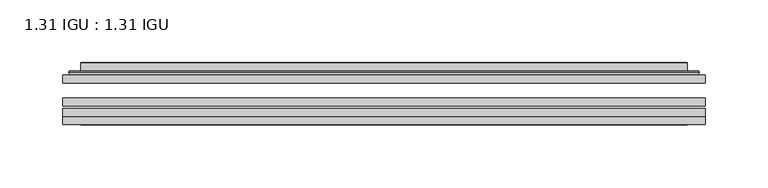
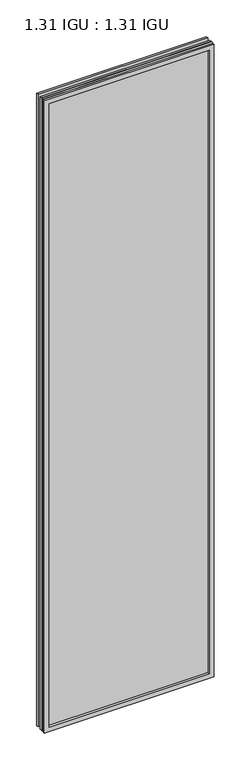
"""IFC4 building model written with IfcOpenShell, lengths in millimetres: plate geometry, 1.31 IGU : 1.31 IGU."""

from ifc_helpers import new_model, si_unit, frame, origin, place, context, project, spatial, polyline, ellipse_curve, outline, extrude, faceted_brep, source, transform, mapped, element, save
from ifc_brep_helpers import plane_surface, cylinder_surface, advanced_brep


def plate_1_31_igu_1_31_igu_b17b55d6(model_context):
    return source(origin(), model_context, "Body", "SolidModel", [
        extrude(outline(polyline([(255.601675, -63.59525), (255.601675, -69.94525), (-255.5875, -69.94525), (-255.5875, -63.59525), (255.601675, -63.59525)])), frame((0.0, 0.0, -14.2875), z_axis=(0.0, 0.0, 1.0), x_axis=(1.0, 0.0, 0.0)), (0.0, 0.0, 1.0), 2009.8015278),
        extrude(outline(polyline([(-255.5875, -78.58125), (-255.5875, -72.230745), (255.601675, -72.230745), (255.601675, -78.58125), (-255.5875, -78.58125)])), frame((0.0, 0.0, -14.2875), z_axis=(0.0, 0.0, 1.0), x_axis=(1.0, 0.0, 0.0)), (0.0, 0.0, 1.0), 2009.8015278),
        extrude(outline(polyline([(255.601675, -45.25645), (255.601675, -51.60645), (-255.5875, -51.60645), (-255.5875, -45.25645), (255.601675, -45.25645)])), frame((0.0, 0.0, -14.2875), z_axis=(0.0, 0.0, 1.0), x_axis=(1.0, 0.0, 0.0)), (0.0, 0.0, 1.0), 2009.8015278),
        faceted_brep([(-255.6002, -84.93125, 1995.5229299), (-255.6002, -78.58125, 1995.5229299), (-255.6002, -78.58125, -14.3002), (-255.6002, -84.93125, -14.3002), (255.6002, -78.58125, -14.3002), (255.6002, -84.93125, -14.3002), (255.6002, -78.58125, 1995.5229299), (255.6002, -84.93125, 1995.5229299), (-240.4022559, -78.58125, 0.8977441), (240.4022559, -78.58125, 0.8977441), (240.4022559, -78.58125, 1980.3249858), (-240.4022559, -78.58125, 1980.3249858), (-241.2946902, -84.93125, 1981.2174201), (241.2946902, -84.93125, 1981.2174201), (241.2946902, -84.93125, 0.0053098), (-241.2946902, -84.93125, 0.0053098)], [[[0, 1, 2, 3]], [[3, 2, 4, 5]], [[5, 4, 6, 7]], [[1, 6, 4, 2], [8, 9, 10, 11]], [[7, 6, 1, 0]], [[3, 5, 7, 0], [12, 13, 14, 15]], [[11, 12, 15, 8]], [[8, 15, 14, 9]], [[9, 14, 13, 10]], [[10, 13, 12, 11]]]),
        advanced_brep(
        [(-248.346219, -45.25645, 1988.2689489), (-250.7004244, -43.2667833, 1990.6231543), (-250.7004244, -43.2667833, -9.4004244), (-248.346219, -45.25645, -7.046219), (-239.2718939, -41.416413, 1979.1946238), (-234.3370621, -45.25645, 1974.2597919), (-234.3370621, -45.25645, 6.9629379), (-239.2718939, -41.416413, 2.0281061), (-240.3039217, -36.0191819, 1980.2266515), (-240.3039217, -36.0191819, 0.9960783), (-241.2945784, -35.6202069, 1981.2173083), (-241.2945784, -35.6202069, 0.0054216), (-241.2945784, -42.08145, 1981.2173083), (-241.2945784, -42.08145, 0.0054216), (-249.6986349, -42.08145, 1989.6213648), (-249.6986349, -42.08145, -8.3986349), (250.7004244, -43.2667833, -9.4004244), (248.346219, -45.25645, -7.046219), (234.3370621, -45.25645, 6.9629379), (239.2718939, -41.416413, 2.0281061), (240.3039217, -36.0191819, 0.9960783), (241.2945784, -35.6202069, 0.0054216), (241.2945784, -42.08145, 0.0054216), (249.6986349, -42.08145, -8.3986349), (250.7004244, -43.2667833, 1990.6231543), (248.346219, -45.25645, 1988.2689489), (234.3370621, -45.25645, 1974.2597919), (239.2718939, -41.416413, 1979.1946238), (240.3039217, -36.0191819, 1980.2266515), (241.2945784, -35.6202069, 1981.2173083), (241.2945784, -42.08145, 1981.2173083), (249.6986349, -42.08145, 1989.6213648)],
        [
            (0, 1, ellipse_curve(frame((-248.346219, -42.86885, 1988.2689489), z_axis=(-0.7071067811865475, 0.0, -0.7071067811865475), x_axis=(-0.7071067811865474, 0.0, 0.7071067811865476)), 3.3765763, 2.3876)),
            (1, 2),
            (2, 3, ellipse_curve(frame((-248.346219, -42.86885, -7.046219), z_axis=(-0.7071067811865475, 0.0, 0.7071067811865475), x_axis=(0.7071067811865474, 0.0, 0.7071067811865476)), 3.3765763, 2.3876)),
            (3, 0),
            (4, 5),
            (5, 6),
            (6, 7),
            (7, 4),
            (8, 4),
            (7, 9),
            (9, 8),
            (10, 8, ellipse_curve(frame((-240.9276219, -36.1384423, 1980.8503517), z_axis=(-0.7071067811865475, 0.0, -0.7071067811865475), x_axis=(-0.7071067811865474, 0.0, 0.7071067811865476)), 0.8980256, 0.635)),
            (9, 11, ellipse_curve(frame((-240.9276219, -36.1384423, 0.3723781), z_axis=(-0.7071067811865475, 0.0, 0.7071067811865475), x_axis=(0.7071067811865474, 0.0, 0.7071067811865476)), 0.8980256, 0.635)),
            (11, 10),
            (12, 10),
            (11, 13),
            (13, 12),
            (1, 14, ellipse_curve(frame((-249.6986349, -43.09745, 1989.6213648), z_axis=(-0.7071067811865475, 0.0, -0.7071067811865475), x_axis=(-0.7071067811865474, 0.0, 0.7071067811865476)), 1.436841, 1.016)),
            (14, 15),
            (15, 2, ellipse_curve(frame((-249.6986349, -43.09745, -8.3986349), z_axis=(-0.7071067811865475, 0.0, 0.7071067811865475), x_axis=(0.7071067811865474, 0.0, 0.7071067811865476)), 1.436841, 1.016)),
            (2, 16),
            (16, 17, ellipse_curve(frame((248.346219, -42.86885, -7.046219), z_axis=(-0.7071067811865475, 0.0, -0.7071067811865475), x_axis=(-0.7071067811865476, 0.0, 0.7071067811865474)), 3.3765763, 2.3876)),
            (17, 3),
            (6, 18),
            (18, 19),
            (19, 7),
            (19, 20),
            (20, 9),
            (20, 21, ellipse_curve(frame((240.9276219, -36.1384423, 0.3723781), z_axis=(-0.7071067811865475, 0.0, -0.7071067811865475), x_axis=(-0.7071067811865476, 0.0, 0.7071067811865474)), 0.8980256, 0.635)),
            (21, 11),
            (21, 22),
            (22, 13),
            (15, 23),
            (23, 16, ellipse_curve(frame((249.6986349, -43.09745, -8.3986349), z_axis=(-0.7071067811865475, 0.0, -0.7071067811865475), x_axis=(-0.7071067811865476, 0.0, 0.7071067811865474)), 1.436841, 1.016)),
            (16, 24),
            (24, 25, ellipse_curve(frame((248.346219, -42.86885, 1988.2689489), z_axis=(0.7071067811865475, 0.0, -0.7071067811865475), x_axis=(-0.7071067811865474, 0.0, -0.7071067811865476)), 3.3765763, 2.3876)),
            (25, 17),
            (18, 26),
            (26, 27),
            (27, 19),
            (27, 28),
            (28, 20),
            (28, 29, ellipse_curve(frame((240.9276219, -36.1384423, 1980.8503517), z_axis=(0.7071067811865475, 0.0, -0.7071067811865475), x_axis=(-0.7071067811865474, 0.0, -0.7071067811865476)), 0.8980256, 0.635)),
            (29, 21),
            (29, 30),
            (30, 22),
            (23, 31),
            (31, 24, ellipse_curve(frame((249.6986349, -43.09745, 1989.6213648), z_axis=(0.7071067811865475, 0.0, -0.7071067811865475), x_axis=(-0.7071067811865474, 0.0, -0.7071067811865476)), 1.436841, 1.016)),
            (24, 1),
            (0, 25),
            (5, 26),
            (4, 27),
            (8, 28),
            (10, 29),
            (12, 30),
            (14, 31),
        ],
        [
            cylinder_surface(frame((-248.346219, -42.86885, 2012.9727299), z_axis=(0.0, 0.0, 1.0), x_axis=(-1.0, 0.0, 0.0)), 2.3876),
            plane_surface(frame((-234.3370621, -45.25645, 1974.2597919), z_axis=(0.6141233906514794, 0.7892100234124821, 0.0), x_axis=(0.0, 0.0, -1.0))),
            plane_surface(frame((-239.2718939, -41.416413, 1979.1946238), z_axis=(0.9822050625507729, 0.18781164793386076, 0.0), x_axis=(0.0, 0.0, -1.0))),
            cylinder_surface(frame((-240.9276219, -36.1384423, 2012.9727299), z_axis=(0.0, 0.0, 1.0), x_axis=(-1.0, 0.0, 0.0)), 0.635),
            plane_surface(frame((-241.2945784, -35.6202069, 1981.2173083), z_axis=(-1.0, 0.0, 0.0), x_axis=(0.0, 0.0, -1.0))),
            cylinder_surface(frame((-249.6986349, -43.09745, 2012.9727299), z_axis=(0.0, 0.0, 1.0), x_axis=(-1.0, 0.0, 0.0)), 1.016),
            cylinder_surface(frame((-273.05, -42.86885, -7.046219), z_axis=(-1.0, 0.0, 0.0), x_axis=(0.0, 0.0, -1.0)), 2.3876),
            plane_surface(frame((-234.3370621, -45.25645, 6.9629379), z_axis=(0.0, 0.7892100234124841, 0.6141233906514768), x_axis=(1.0, 0.0, 0.0))),
            plane_surface(frame((-239.2718939, -41.416413, 2.0281061), z_axis=(0.0, 0.18781164793386393, 0.9822050625507723), x_axis=(1.0, 0.0, 0.0))),
            cylinder_surface(frame((-273.05, -36.1384423, 0.3723781), z_axis=(-1.0, 0.0, 0.0), x_axis=(0.0, 0.0, -1.0)), 0.635),
            plane_surface(frame((-241.2945784, -35.6202069, 0.0054216), z_axis=(0.0, 0.0, -1.0), x_axis=(1.0, 0.0, 0.0))),
            cylinder_surface(frame((-273.05, -43.09745, -8.3986349), z_axis=(-1.0, 0.0, 0.0), x_axis=(0.0, 0.0, -1.0)), 1.016),
            cylinder_surface(frame((248.346219, -42.86885, -31.75), z_axis=(0.0, 0.0, -1.0), x_axis=(1.0, 0.0, 0.0)), 2.3876),
            plane_surface(frame((234.3370621, -45.25645, 6.9629379), z_axis=(-0.6141233906514743, 0.7892100234124861, 0.0), x_axis=(0.0, 0.0, 1.0))),
            plane_surface(frame((239.2718939, -41.416413, 2.0281061), z_axis=(-0.9822050625507718, 0.1878116479338671, 0.0), x_axis=(0.0, 0.0, 1.0))),
            cylinder_surface(frame((240.9276219, -36.1384423, -31.75), z_axis=(0.0, 0.0, -1.0), x_axis=(1.0, 0.0, 0.0)), 0.635),
            plane_surface(frame((241.2945784, -35.6202069, 0.0054216), z_axis=(1.0, 0.0, 0.0), x_axis=(0.0, 0.0, 1.0))),
            cylinder_surface(frame((249.6986349, -43.09745, -31.75), z_axis=(0.0, 0.0, -1.0), x_axis=(1.0, 0.0, 0.0)), 1.016),
            cylinder_surface(frame((273.05, -42.86885, 1988.2689489), z_axis=(1.0, 0.0, 0.0), x_axis=(0.0, 0.0, 1.0)), 2.3876),
            plane_surface(frame((248.346219, -45.25645, 1988.2689489), z_axis=(0.0, -1.0, 0.0), x_axis=(-1.0, 0.0, 0.0))),
            plane_surface(frame((234.3370621, -45.25645, 1974.2597919), z_axis=(0.0, 0.7892100234124841, -0.6141233906514768), x_axis=(-1.0, 0.0, 0.0))),
            plane_surface(frame((239.2718939, -41.416413, 1979.1946238), z_axis=(0.0, 0.18781164793386393, -0.9822050625507723), x_axis=(-1.0, 0.0, 0.0))),
            cylinder_surface(frame((273.05, -36.1384423, 1980.8503517), z_axis=(1.0, 0.0, 0.0), x_axis=(0.0, 0.0, 1.0)), 0.635),
            plane_surface(frame((241.2945784, -35.6202069, 1981.2173083), z_axis=(0.0, 0.0, 1.0), x_axis=(-1.0, 0.0, 0.0))),
            plane_surface(frame((241.2945784, -42.08145, 1981.2173083), z_axis=(0.0, 1.0, 0.0), x_axis=(-1.0, 0.0, 0.0))),
            cylinder_surface(frame((273.05, -43.09745, 1989.6213648), z_axis=(1.0, 0.0, 0.0), x_axis=(0.0, 0.0, 1.0)), 1.016),
        ],
        [
            (0, [[1, 2, 3, 4]]),
            (1, [[5, 6, 7, 8]]),
            (2, [[9, -8, 10, 11]]),
            (3, [[12, -11, 13, 14]]),
            (4, [[15, -14, 16, 17]]),
            (5, [[18, 19, 20, -2]]),
            (6, [[-3, 21, 22, 23]]),
            (7, [[-7, 24, 25, 26]]),
            (8, [[-10, -26, 27, 28]]),
            (9, [[-13, -28, 29, 30]]),
            (10, [[-16, -30, 31, 32]]),
            (11, [[-20, 33, 34, -21]]),
            (12, [[-22, 35, 36, 37]]),
            (13, [[-25, 38, 39, 40]]),
            (14, [[-27, -40, 41, 42]]),
            (15, [[-29, -42, 43, 44]]),
            (16, [[-31, -44, 45, 46]]),
            (17, [[-34, 47, 48, -35]]),
            (18, [[-36, 49, -1, 50]]),
            (19, [[-23, -37, -50, -4], [51, -38, -24, -6]]),
            (20, [[-39, -51, -5, 52]]),
            (21, [[-41, -52, -9, 53]]),
            (22, [[-43, -53, -12, 54]]),
            (23, [[-45, -54, -15, 55]]),
            (24, [[56, -47, -33, -19], [-32, -46, -55, -17]]),
            (25, [[-48, -56, -18, -49]]),
        ],
    ),
    ])


if __name__ == "__main__":
    model = new_model("IFC4")
    model_context = context("Model", 3, world=origin())
    ifc_project = project(units=[si_unit("LENGTHUNIT", "METRE", prefix="MILLI")], contexts=[model_context])
    site = spatial("IfcSite", under=ifc_project)
    building = spatial("IfcBuilding", under=site)
    placement = place(None, origin())
    plate_1_31_igu_1_31_igu_shape = plate_1_31_igu_1_31_igu_b17b55d6(model_context)
    element("IfcPlate", 1, ObjectType="1.31 IGU : 1.31 IGU", at=placement, inside=building, context=model_context, shape_type="MappedRepresentation", body=[
        mapped(plate_1_31_igu_1_31_igu_shape, transform((0.0, 0.0, 0.0), x_axis=(1.0, 0.0, 0.0), y_axis=(0.0, 1.0, 0.0), z_axis=(0.0, 0.0, 1.0))),
    ])
    save(model, "model.ifc")
